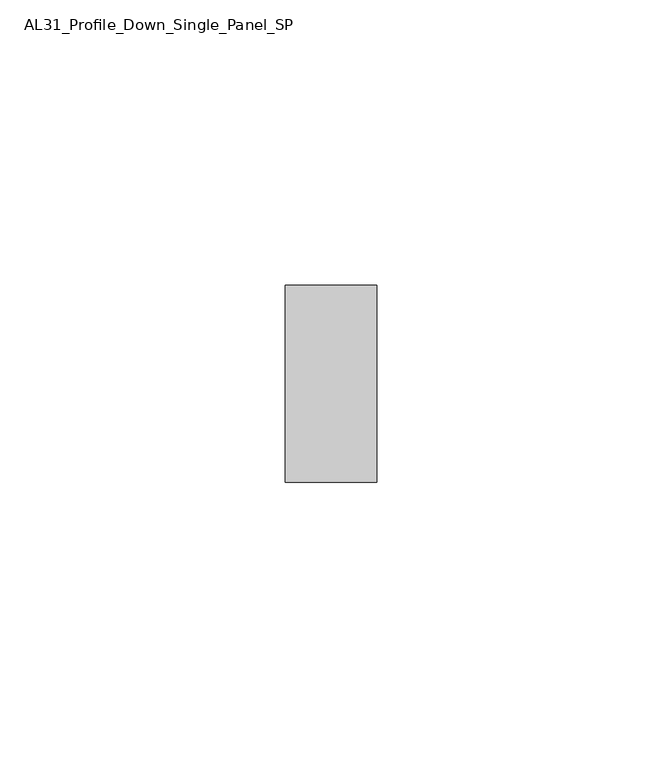
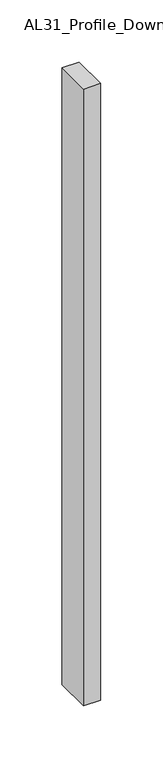
"""IFC4 building model written with IfcOpenShell, lengths in millimetres: member geometry, AL31_Profile_Down_Single_Panel_SP."""

from ifc_helpers import new_model, si_unit, frame, origin, place, context, project, spatial, polyline, outline, extrude, source, transform, mapped, element, save


def al31_profile_down_single_panel_sp_872f557b(model_context):
    return source(origin(), model_context, "Body", "SweptSolid", [
        extrude(outline(polyline([(0.0, -17.25), (-16.0, -17.25), (-16.0, 17.25), (0.0, 17.25), (0.0, -17.25)])), frame((0.0, 0.0, -605.3649907), z_axis=(0.0, 0.0, 1.0), x_axis=(1.0, 0.0, 0.0)), (0.0, 0.0, 1.0), 605.3649907),
    ])


if __name__ == "__main__":
    model = new_model("IFC4")
    model_context = context("Model", 3, world=origin())
    ifc_project = project(units=[si_unit("LENGTHUNIT", "METRE", prefix="MILLI")], contexts=[model_context])
    site = spatial("IfcSite", under=ifc_project)
    building = spatial("IfcBuilding", under=site)
    placement = place(None, origin())
    al31_profile_down_single_panel_sp_shape = al31_profile_down_single_panel_sp_872f557b(model_context)
    element("IfcMember", 1, ObjectType="AL31_Profile_Down_Single_Panel_SP", at=placement, inside=building, context=model_context, shape_type="MappedRepresentation", body=[
        mapped(al31_profile_down_single_panel_sp_shape, transform((0.0, 0.0, 0.0), x_axis=(1.0, 0.0, 0.0), y_axis=(0.0, 1.0, 0.0), z_axis=(0.0, 0.0, 1.0))),
    ])
    save(model, "model.ifc")
